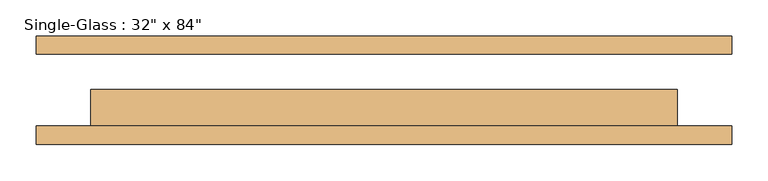
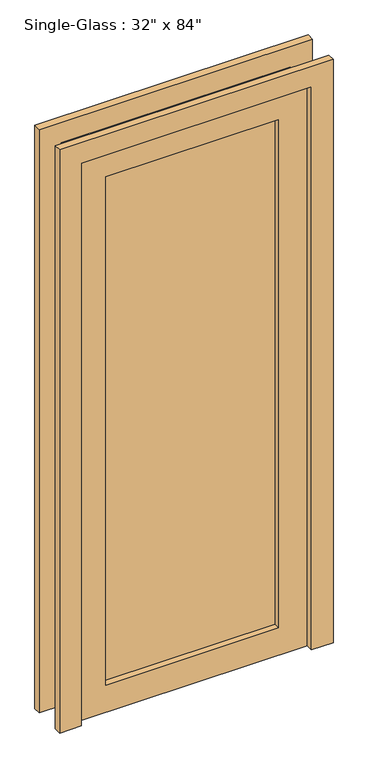
"""IFC4 building model written with IfcOpenShell, lengths in millimetres: door geometry."""

from ifc_helpers import new_model, si_unit, frame, origin, place, context, project, spatial, polyline, outline, extrude, source, transform, mapped, element, save


def door_52d506cf(model_context):
    return source(origin(), model_context, "Body", "SweptSolid", [
        extrude(outline(polyline([(2100.0, 406.4), (0.0, 406.4), (0.0, 482.6), (2176.2, 482.6), (2176.2, -482.6), (0.0, -482.6), (0.0, -406.4), (2100.0, -406.4), (2100.0, 406.4)])), frame((0.0, 50.0, 0.0), z_axis=(0.0, 1.0, 0.0), x_axis=(0.0, 0.0, 1.0)), (0.0, 0.0, 1.0), 25.4),
        extrude(outline(polyline([(2100.0, 406.4), (0.0, 406.4), (0.0, 482.6), (2176.2, 482.6), (2176.2, -482.6), (0.0, -482.6), (0.0, -406.4), (2100.0, -406.4), (2100.0, 406.4)])), frame((0.0, -75.4, 0.0), z_axis=(0.0, 1.0, 0.0), x_axis=(0.0, 0.0, 1.0)), (0.0, 0.0, 1.0), 25.4),
        extrude(outline(polyline([(304.8, -21.425), (304.8, -27.775), (-304.8, -27.775), (-304.8, -21.425), (304.8, -21.425)])), frame((0.0, 0.0, 101.6), z_axis=(0.0, 0.0, 1.0), x_axis=(1.0, 0.0, 0.0)), (0.0, 0.0, 1.0), 1896.8),
        extrude(outline(polyline([(2100.0, 406.4), (2100.0, -406.4), (0.0, -406.4), (0.0, 406.4), (2100.0, 406.4)]), holes=[polyline([(1998.4, -304.8), (1998.4, 304.8), (101.6, 304.8), (101.6, -304.8), (1998.4, -304.8)])]), frame((0.0, -50.0, 0.0), z_axis=(0.0, 1.0, 0.0), x_axis=(0.0, 0.0, 1.0)), (0.0, 0.0, 1.0), 50.8),
    ])


if __name__ == "__main__":
    model = new_model("IFC4")
    model_context = context("Model", 3, world=origin())
    ifc_project = project(units=[si_unit("LENGTHUNIT", "METRE", prefix="MILLI")], contexts=[model_context])
    site = spatial("IfcSite", under=ifc_project)
    building = spatial("IfcBuilding", under=site)
    placement = place(None, origin())
    door_shape = door_52d506cf(model_context)
    element("IfcDoor", 1, ObjectType="Single-Glass : 32\" x 84\"", at=placement, inside=building, context=model_context, shape_type="MappedRepresentation", body=[
        mapped(door_shape, transform((0.0, 0.0, 0.0), x_axis=(1.0, 0.0, 0.0), y_axis=(0.0, 1.0, 0.0), z_axis=(0.0, 0.0, 1.0))),
    ])
    save(model, "model.ifc")
